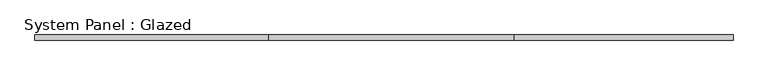
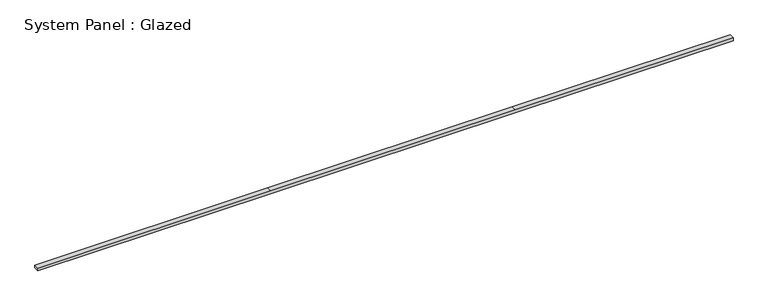
"""IFC4 building model written with IfcOpenShell, lengths in millimetres: plate geometry, System Panel : Glazed."""

import ifcopenshell
import ifcopenshell.guid

model = None  # the IFC model being written
_history = None  # IfcOwnerHistory: only IFC2X3 demands one
_inside = {}  # id of a spatial element -> (the spatial element, [elements in it])
_under = {}  # id of a project, library or spatial element -> (it, [spatial elements below it])
_declared = {}  # id of a project -> (the project, [libraries it declares])
_typed = {}  # id of a type object -> (the type object, [elements of that type])
_made_of = {}  # id of a material, layer set ... -> (it, [elements and type objects made of it])


def new_model(schema):
    """Start an empty IFC model of exactly this schema.

    Asked for "IFC4X3", IfcOpenShell would pick the latest addendum, in which some entities
    have other attributes; the version numbers below select the first issue.
    IFC2X3 requires an IfcOwnerHistory on every rooted entity: one is made here for all.
    """
    global model, _history
    if schema == "IFC4X3":
        model = ifcopenshell.file(schema_version=(4, 3, 0, 0))
    else:
        model = ifcopenshell.file(schema=schema)
    _inside.clear()
    _under.clear()
    _declared.clear()
    _typed.clear()
    _made_of.clear()
    _history = None
    if model.schema == "IFC2X3":
        org = make("IfcOrganization", Name="unknown")
        user = make(
            "IfcPersonAndOrganization",
            ThePerson=make("IfcPerson", FamilyName="unknown"),
            TheOrganization=org,
        )
        app = make(
            "IfcApplication",
            ApplicationDeveloper=org,
            Version="unknown",
            ApplicationFullName="unknown",
            ApplicationIdentifier="unknown",
        )
        _history = make(
            "IfcOwnerHistory",
            OwningUser=user,
            OwningApplication=app,
            ChangeAction="ADDED",
            CreationDate=0,
        )
    return model


def make(cls, **values):
    """One entity of the class cls with the attributes given. An attribute that is None is left unset."""
    return model.create_entity(
        cls, **{name: value for name, value in values.items() if value is not None}
    )


def rooted(cls, **values):
    """An entity with a GlobalId (a new one), such as an element, a storey or a relation."""
    return make(cls, GlobalId=ifcopenshell.guid.new(), OwnerHistory=_history, **values)


def si_unit(unit_type, name, prefix=None):
    """IfcSIUnit, for example si_unit("LENGTHUNIT", "METRE", prefix="MILLI")."""
    return make("IfcSIUnit", UnitType=unit_type, Prefix=prefix, Name=name)


def assignment(units):
    """IfcUnitAssignment: the units of a project."""
    return None if units is None else make("IfcUnitAssignment", Units=units)


def point(xyz):
    """IfcCartesianPoint."""
    return None if xyz is None else make("IfcCartesianPoint", Coordinates=xyz)


def direction(xyz):
    """IfcDirection."""
    return None if xyz is None else make("IfcDirection", DirectionRatios=xyz)


def frame(location, z_axis=None, x_axis=None):
    """IfcAxis2Placement3D, a coordinate frame: its origin and axes. An axis left out is left unset."""
    return make(
        "IfcAxis2Placement3D",
        Location=point(location),
        Axis=direction(z_axis),
        RefDirection=direction(x_axis),
    )


def origin():
    """The frame at (0, 0, 0) with its axes left unset."""
    return frame((0.0, 0.0, 0.0))


def place(relative_to, where):
    """IfcLocalPlacement: puts the frame where relative to a parent placement (None: the world)."""
    return make(
        "IfcLocalPlacement", PlacementRelTo=relative_to, RelativePlacement=where
    )


def context(
    kind, dimensions, precision=None, world=None, true_north=None, identifier=None
):
    """IfcGeometricRepresentationContext, for example the 3D "Model" context."""
    return make(
        "IfcGeometricRepresentationContext",
        ContextIdentifier=identifier,
        ContextType=kind,
        CoordinateSpaceDimension=dimensions,
        Precision=precision,
        WorldCoordinateSystem=world,
        TrueNorth=true_north,
    )


def project(units=None, contexts=None):
    """IfcProject with its units and contexts."""
    return rooted(
        "IfcProject",
        Name="project",
        RepresentationContexts=contexts,
        UnitsInContext=assignment(units),
    )


def spatial(cls, under=None, at=None, **own):
    """A site, building, storey or space (cls), placed at a placement, below another one or the project."""
    s = rooted(cls, ObjectPlacement=at, **own)
    if under is not None:
        _under.setdefault(under.id(), (under, []))[1].append(s)
    return s


def polyline(points):
    """IfcPolyline through the points."""
    return make("IfcPolyline", Points=[point(p) for p in points])


def outline(outer, holes=None, kind="AREA"):
    """IfcArbitraryClosedProfileDef: a profile drawn as a closed curve; with holes, ...WithVoids."""
    if holes is None:
        return make("IfcArbitraryClosedProfileDef", ProfileType=kind, OuterCurve=outer)
    return make(
        "IfcArbitraryProfileDefWithVoids",
        ProfileType=kind,
        OuterCurve=outer,
        InnerCurves=holes,
    )


def extrude(swept, where, along, depth):
    """IfcExtrudedAreaSolid: the profile swept, set in the frame where, extruded along a direction by depth."""
    return make(
        "IfcExtrudedAreaSolid",
        SweptArea=swept,
        Position=where,
        ExtrudedDirection=direction(along),
        Depth=depth,
    )


def shape(context_of_items, identifier, shape_type, items):
    """IfcShapeRepresentation: the items that make up one representation, for example the "Body"."""
    return make(
        "IfcShapeRepresentation",
        ContextOfItems=context_of_items,
        RepresentationIdentifier=identifier,
        RepresentationType=shape_type,
        Items=items,
    )


def source(mapping_origin, context_of_items, identifier, shape_type, items):
    """IfcRepresentationMap: a shape defined once, which mapped items show again and again."""
    return make(
        "IfcRepresentationMap",
        MappingOrigin=mapping_origin,
        MappedRepresentation=shape(context_of_items, identifier, shape_type, items),
    )


def transform(
    local_origin,
    x_axis=None,
    y_axis=None,
    z_axis=None,
    scale=None,
    scale2=None,
    scale3=None,
    uniform=True,
):
    """IfcCartesianTransformationOperator3D, or its non-uniform kind. x_axis, y_axis, z_axis: its Axis1, 2, 3."""
    if uniform:
        return make(
            "IfcCartesianTransformationOperator3D",
            Axis1=direction(x_axis),
            Axis2=direction(y_axis),
            LocalOrigin=point(local_origin),
            Scale=scale,
            Axis3=direction(z_axis),
        )
    return make(
        "IfcCartesianTransformationOperator3DnonUniform",
        Axis1=direction(x_axis),
        Axis2=direction(y_axis),
        LocalOrigin=point(local_origin),
        Scale=scale,
        Axis3=direction(z_axis),
        Scale2=scale2,
        Scale3=scale3,
    )


def mapped(mapping_source, mapping_target):
    """IfcMappedItem: shows the shape of a source again, moved by a transform."""
    return make(
        "IfcMappedItem", MappingSource=mapping_source, MappingTarget=mapping_target
    )


def made_of(thing, what):
    """Note that an element or type object is made of a material, layer set ...; save() writes the relation."""
    if what is not None:
        _made_of.setdefault(what.id(), (what, []))[1].append(thing)
    return thing


def element(
    cls,
    number,
    at=None,
    inside=None,
    cuts=None,
    type_object=None,
    material=None,
    context=None,
    identifier="Body",
    shape_type=None,
    held_by="IfcProductDefinitionShape",
    body=None,
    shapes=None,
    **own,
):
    """One element of the class cls, such as IfcWall. Its Tag is "e" and its number.

    at: its placement. inside: the storey or other place that contains it. cuts: it is an
    opening in that element (IfcRelVoidsElement). A single representation is given by context,
    identifier, shape_type and body (its items); several are given by shapes. held_by: the class
    of the entity that holds the representations. save() writes the other relations.
    """
    e = rooted(cls, Tag="e%d" % number, ObjectPlacement=at, **own)
    if body is not None:
        shapes = [shape(context, identifier, shape_type, body)]
    if shapes is not None:
        e.Representation = make(held_by, Representations=shapes)
    if inside is not None:
        _inside.setdefault(inside.id(), (inside, []))[1].append(e)
    if cuts is not None:
        rooted(
            "IfcRelVoidsElement", RelatingBuildingElement=cuts, RelatedOpeningElement=e
        )
    if type_object is not None:
        _typed.setdefault(type_object.id(), (type_object, []))[1].append(e)
    return made_of(e, material)


def aggregate(whole, parts):
    """IfcRelAggregates: a whole, such as a stair, and the parts it consists of."""
    return rooted("IfcRelAggregates", RelatingObject=whole, RelatedObjects=parts)


def save(model, path):
    """Write the relations noted so far, then the file.

    IfcRelAggregates (storeys below a building ...), IfcRelContainedInSpatialStructure (elements
    in a storey), IfcRelDefinesByType, IfcRelAssociatesMaterial and IfcRelDeclares: one each for
    every whole, place, type object, material and project.
    """
    for whole, parts in _under.values():
        aggregate(whole, parts)
    for where, things in _inside.values():
        rooted(
            "IfcRelContainedInSpatialStructure",
            RelatedElements=things,
            RelatingStructure=where,
        )
    for kind, things in _typed.values():
        rooted("IfcRelDefinesByType", RelatedObjects=things, RelatingType=kind)
    for what, things in _made_of.values():
        rooted("IfcRelAssociatesMaterial", RelatedObjects=things, RelatingMaterial=what)
    for by, libraries in _declared.values():
        rooted("IfcRelDeclares", RelatingContext=by, RelatedDefinitions=libraries)
    model.write(path)


def system_panel_glazed_01961a16(model_context):
    return source(origin(), model_context, "Body", "SweptSolid", [
        extrude(outline(polyline([(0.0, -1733.363472), (0.0, -571.313472), (0.0, 647.886528), (0.0, 1733.363472), (14.3263135, 1733.363472), (14.3263135, 647.886528), (14.3263135, -571.313472), (14.3263135, -1733.363472), (0.0, -1733.363472)])), frame((0.0, -12.7, 0.0), z_axis=(0.0, 1.0, 0.0), x_axis=(0.0, 0.0, 1.0)), (0.0, 0.0, 1.0), 25.4),
    ])


if __name__ == "__main__":
    model = new_model("IFC4")
    model_context = context("Model", 3, world=origin())
    ifc_project = project(units=[si_unit("LENGTHUNIT", "METRE", prefix="MILLI")], contexts=[model_context])
    site = spatial("IfcSite", under=ifc_project)
    building = spatial("IfcBuilding", under=site)
    placement = place(None, origin())
    system_panel_glazed_shape = system_panel_glazed_01961a16(model_context)
    element("IfcPlate", 1, ObjectType="System Panel : Glazed", at=placement, inside=building, context=model_context, shape_type="MappedRepresentation", body=[
        mapped(system_panel_glazed_shape, transform((0.0, 0.0, 0.0), x_axis=(1.0, 0.0, 0.0), y_axis=(0.0, 1.0, 0.0), z_axis=(0.0, 0.0, 1.0))),
    ])
    save(model, "model.ifc")
